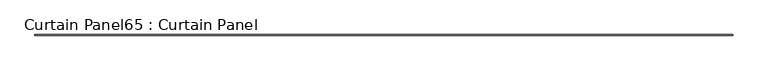
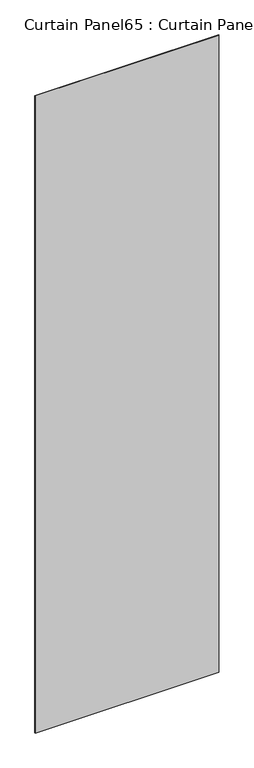
"""IFC4 building model written with IfcOpenShell, lengths in millimetres: plate geometry, Curtain Panel65 : Curtain Panel."""

import ifcopenshell
import ifcopenshell.guid

model = None  # the IFC model being written
_history = None  # IfcOwnerHistory: only IFC2X3 demands one
_inside = {}  # id of a spatial element -> (the spatial element, [elements in it])
_under = {}  # id of a project, library or spatial element -> (it, [spatial elements below it])
_declared = {}  # id of a project -> (the project, [libraries it declares])
_typed = {}  # id of a type object -> (the type object, [elements of that type])
_made_of = {}  # id of a material, layer set ... -> (it, [elements and type objects made of it])


def new_model(schema):
    """Start an empty IFC model of exactly this schema.

    Asked for "IFC4X3", IfcOpenShell would pick the latest addendum, in which some entities
    have other attributes; the version numbers below select the first issue.
    IFC2X3 requires an IfcOwnerHistory on every rooted entity: one is made here for all.
    """
    global model, _history
    if schema == "IFC4X3":
        model = ifcopenshell.file(schema_version=(4, 3, 0, 0))
    else:
        model = ifcopenshell.file(schema=schema)
    _inside.clear()
    _under.clear()
    _declared.clear()
    _typed.clear()
    _made_of.clear()
    _history = None
    if model.schema == "IFC2X3":
        org = make("IfcOrganization", Name="unknown")
        user = make(
            "IfcPersonAndOrganization",
            ThePerson=make("IfcPerson", FamilyName="unknown"),
            TheOrganization=org,
        )
        app = make(
            "IfcApplication",
            ApplicationDeveloper=org,
            Version="unknown",
            ApplicationFullName="unknown",
            ApplicationIdentifier="unknown",
        )
        _history = make(
            "IfcOwnerHistory",
            OwningUser=user,
            OwningApplication=app,
            ChangeAction="ADDED",
            CreationDate=0,
        )
    return model


def make(cls, **values):
    """One entity of the class cls with the attributes given. An attribute that is None is left unset."""
    return model.create_entity(
        cls, **{name: value for name, value in values.items() if value is not None}
    )


def rooted(cls, **values):
    """An entity with a GlobalId (a new one), such as an element, a storey or a relation."""
    return make(cls, GlobalId=ifcopenshell.guid.new(), OwnerHistory=_history, **values)


def si_unit(unit_type, name, prefix=None):
    """IfcSIUnit, for example si_unit("LENGTHUNIT", "METRE", prefix="MILLI")."""
    return make("IfcSIUnit", UnitType=unit_type, Prefix=prefix, Name=name)


def assignment(units):
    """IfcUnitAssignment: the units of a project."""
    return None if units is None else make("IfcUnitAssignment", Units=units)


def point(xyz):
    """IfcCartesianPoint."""
    return None if xyz is None else make("IfcCartesianPoint", Coordinates=xyz)


def direction(xyz):
    """IfcDirection."""
    return None if xyz is None else make("IfcDirection", DirectionRatios=xyz)


def frame(location, z_axis=None, x_axis=None):
    """IfcAxis2Placement3D, a coordinate frame: its origin and axes. An axis left out is left unset."""
    return make(
        "IfcAxis2Placement3D",
        Location=point(location),
        Axis=direction(z_axis),
        RefDirection=direction(x_axis),
    )


def origin():
    """The frame at (0, 0, 0) with its axes left unset."""
    return frame((0.0, 0.0, 0.0))


def place(relative_to, where):
    """IfcLocalPlacement: puts the frame where relative to a parent placement (None: the world)."""
    return make(
        "IfcLocalPlacement", PlacementRelTo=relative_to, RelativePlacement=where
    )


def context(
    kind, dimensions, precision=None, world=None, true_north=None, identifier=None
):
    """IfcGeometricRepresentationContext, for example the 3D "Model" context."""
    return make(
        "IfcGeometricRepresentationContext",
        ContextIdentifier=identifier,
        ContextType=kind,
        CoordinateSpaceDimension=dimensions,
        Precision=precision,
        WorldCoordinateSystem=world,
        TrueNorth=true_north,
    )


def project(units=None, contexts=None):
    """IfcProject with its units and contexts."""
    return rooted(
        "IfcProject",
        Name="project",
        RepresentationContexts=contexts,
        UnitsInContext=assignment(units),
    )


def spatial(cls, under=None, at=None, **own):
    """A site, building, storey or space (cls), placed at a placement, below another one or the project."""
    s = rooted(cls, ObjectPlacement=at, **own)
    if under is not None:
        _under.setdefault(under.id(), (under, []))[1].append(s)
    return s


def polyline(points):
    """IfcPolyline through the points."""
    return make("IfcPolyline", Points=[point(p) for p in points])


def outline(outer, holes=None, kind="AREA"):
    """IfcArbitraryClosedProfileDef: a profile drawn as a closed curve; with holes, ...WithVoids."""
    if holes is None:
        return make("IfcArbitraryClosedProfileDef", ProfileType=kind, OuterCurve=outer)
    return make(
        "IfcArbitraryProfileDefWithVoids",
        ProfileType=kind,
        OuterCurve=outer,
        InnerCurves=holes,
    )


def extrude(swept, where, along, depth):
    """IfcExtrudedAreaSolid: the profile swept, set in the frame where, extruded along a direction by depth."""
    return make(
        "IfcExtrudedAreaSolid",
        SweptArea=swept,
        Position=where,
        ExtrudedDirection=direction(along),
        Depth=depth,
    )


def shape(context_of_items, identifier, shape_type, items):
    """IfcShapeRepresentation: the items that make up one representation, for example the "Body"."""
    return make(
        "IfcShapeRepresentation",
        ContextOfItems=context_of_items,
        RepresentationIdentifier=identifier,
        RepresentationType=shape_type,
        Items=items,
    )


def source(mapping_origin, context_of_items, identifier, shape_type, items):
    """IfcRepresentationMap: a shape defined once, which mapped items show again and again."""
    return make(
        "IfcRepresentationMap",
        MappingOrigin=mapping_origin,
        MappedRepresentation=shape(context_of_items, identifier, shape_type, items),
    )


def transform(
    local_origin,
    x_axis=None,
    y_axis=None,
    z_axis=None,
    scale=None,
    scale2=None,
    scale3=None,
    uniform=True,
):
    """IfcCartesianTransformationOperator3D, or its non-uniform kind. x_axis, y_axis, z_axis: its Axis1, 2, 3."""
    if uniform:
        return make(
            "IfcCartesianTransformationOperator3D",
            Axis1=direction(x_axis),
            Axis2=direction(y_axis),
            LocalOrigin=point(local_origin),
            Scale=scale,
            Axis3=direction(z_axis),
        )
    return make(
        "IfcCartesianTransformationOperator3DnonUniform",
        Axis1=direction(x_axis),
        Axis2=direction(y_axis),
        LocalOrigin=point(local_origin),
        Scale=scale,
        Axis3=direction(z_axis),
        Scale2=scale2,
        Scale3=scale3,
    )


def mapped(mapping_source, mapping_target):
    """IfcMappedItem: shows the shape of a source again, moved by a transform."""
    return make(
        "IfcMappedItem", MappingSource=mapping_source, MappingTarget=mapping_target
    )


def made_of(thing, what):
    """Note that an element or type object is made of a material, layer set ...; save() writes the relation."""
    if what is not None:
        _made_of.setdefault(what.id(), (what, []))[1].append(thing)
    return thing


def element(
    cls,
    number,
    at=None,
    inside=None,
    cuts=None,
    type_object=None,
    material=None,
    context=None,
    identifier="Body",
    shape_type=None,
    held_by="IfcProductDefinitionShape",
    body=None,
    shapes=None,
    **own,
):
    """One element of the class cls, such as IfcWall. Its Tag is "e" and its number.

    at: its placement. inside: the storey or other place that contains it. cuts: it is an
    opening in that element (IfcRelVoidsElement). A single representation is given by context,
    identifier, shape_type and body (its items); several are given by shapes. held_by: the class
    of the entity that holds the representations. save() writes the other relations.
    """
    e = rooted(cls, Tag="e%d" % number, ObjectPlacement=at, **own)
    if body is not None:
        shapes = [shape(context, identifier, shape_type, body)]
    if shapes is not None:
        e.Representation = make(held_by, Representations=shapes)
    if inside is not None:
        _inside.setdefault(inside.id(), (inside, []))[1].append(e)
    if cuts is not None:
        rooted(
            "IfcRelVoidsElement", RelatingBuildingElement=cuts, RelatedOpeningElement=e
        )
    if type_object is not None:
        _typed.setdefault(type_object.id(), (type_object, []))[1].append(e)
    return made_of(e, material)


def aggregate(whole, parts):
    """IfcRelAggregates: a whole, such as a stair, and the parts it consists of."""
    return rooted("IfcRelAggregates", RelatingObject=whole, RelatedObjects=parts)


def save(model, path):
    """Write the relations noted so far, then the file.

    IfcRelAggregates (storeys below a building ...), IfcRelContainedInSpatialStructure (elements
    in a storey), IfcRelDefinesByType, IfcRelAssociatesMaterial and IfcRelDeclares: one each for
    every whole, place, type object, material and project.
    """
    for whole, parts in _under.values():
        aggregate(whole, parts)
    for where, things in _inside.values():
        rooted(
            "IfcRelContainedInSpatialStructure",
            RelatedElements=things,
            RelatingStructure=where,
        )
    for kind, things in _typed.values():
        rooted("IfcRelDefinesByType", RelatedObjects=things, RelatingType=kind)
    for what, things in _made_of.values():
        rooted("IfcRelAssociatesMaterial", RelatedObjects=things, RelatingMaterial=what)
    for by, libraries in _declared.values():
        rooted("IfcRelDeclares", RelatingContext=by, RelatedDefinitions=libraries)
    model.write(path)


def curtain_panel65_curtain_panel_fe972283(model_context):
    return source(origin(), model_context, "Body", "SweptSolid", [
        extrude(outline(polyline([(109640.08877, 7694.7065129), (105358.0917433, 7694.7065129), (105358.0917433, 7701.0565129), (109640.08877, 7701.0565129), (109640.08877, 7694.7065129)])), frame((0.0, 0.0, 1433.7679301), z_axis=(0.0, 0.0, 1.0), x_axis=(1.0, 0.0, 0.0)), (0.0, 0.0, 1.0), 15711.5380959),
    ])


if __name__ == "__main__":
    model = new_model("IFC4")
    model_context = context("Model", 3, world=origin())
    ifc_project = project(units=[si_unit("LENGTHUNIT", "METRE", prefix="MILLI")], contexts=[model_context])
    site = spatial("IfcSite", under=ifc_project)
    building = spatial("IfcBuilding", under=site)
    placement = place(None, origin())
    curtain_panel65_curtain_panel_shape = curtain_panel65_curtain_panel_fe972283(model_context)
    element("IfcPlate", 1, ObjectType="Curtain Panel65 : Curtain Panel", at=placement, inside=building, context=model_context, shape_type="MappedRepresentation", body=[
        mapped(curtain_panel65_curtain_panel_shape, transform((0.0, 0.0, 0.0), x_axis=(1.0, 0.0, 0.0), y_axis=(0.0, 1.0, 0.0), z_axis=(0.0, 0.0, 1.0))),
    ])
    save(model, "model.ifc")
